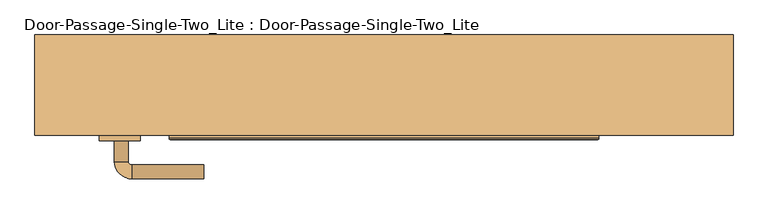
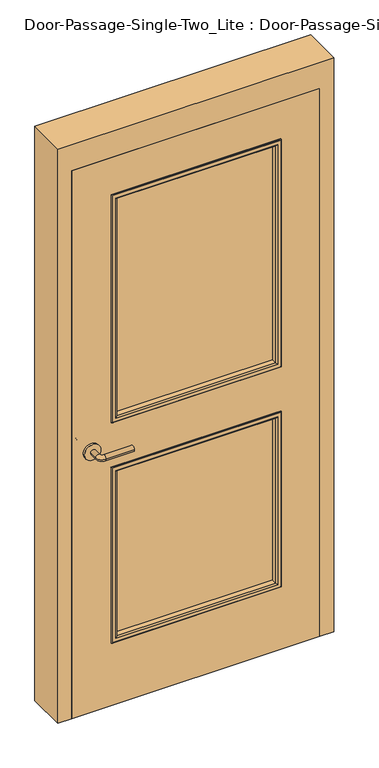
"""IFC4 building model written with IfcOpenShell, lengths in millimetres: door geometry, Door-Passage-Single-Two_Lite : Door-Passage-Single-Two_Lite."""

from ifc_helpers import new_model, si_unit, point, frame, frame_2d, origin, place, context, project, spatial, polyline, circle_curve, ellipse_curve, trimmed, segment, composite_curve, outline, extrude, faceted_brep, source, transform, mapped, element, save
from ifc_brep_helpers import plane_surface, cylinder_surface, revolved_surface, advanced_brep


def door_passage_single_two_lite_door_passage_single_two_lite_3d217ffa(model_context):
    return source(origin(), model_context, "Body", "SolidModel", [
        advanced_brep(
        [(-392.190625, -96.775, 1016.0), (-372.190625, -96.775, 1016.0), (-392.190625, -66.775, 1016.0), (-372.190625, -66.775, 1016.0), (-367.190625, -61.775, 1016.0), (-367.190625, -41.775, 1016.0), (-262.190625, -41.775, 1016.0), (-262.190625, -61.775, 1016.0)],
        [
            (0, 1, circle_curve(frame((-382.190625, -96.775, 1016.0), z_axis=(0.0, -1.0, 0.0), x_axis=(1.0, 0.0, 0.0)), 10.0)),
            (1, 0, circle_curve(frame((-382.190625, -96.775, 1016.0), z_axis=(0.0, -1.0, 0.0), x_axis=(1.0, 0.0, 0.0)), 10.0)),
            (0, 2),
            (2, 3, circle_curve(frame((-382.190625, -66.775, 1016.0), z_axis=(0.0, -1.0, 0.0), x_axis=(1.0, 0.0, 0.0)), 10.0)),
            (3, 1),
            (3, 2, circle_curve(frame((-382.190625, -66.775, 1016.0), z_axis=(0.0, -1.0, 0.0), x_axis=(1.0, 0.0, 0.0)), 10.0)),
            (4, 3, circle_curve(frame((-367.190625, -66.775, 1016.0), z_axis=(0.0, 0.0, 1.0), x_axis=(-1.0, 0.0, 0.0)), 5.0)),
            (2, 5, circle_curve(frame((-367.190625, -66.775, 1016.0), z_axis=(0.0, 0.0, -1.0), x_axis=(-1.0, 0.0, 0.0)), 25.0)),
            (5, 4, circle_curve(frame((-367.190625, -51.775, 1016.0), z_axis=(-1.0, 0.0, 0.0), x_axis=(0.0, -1.0, 0.0)), 10.0)),
            (4, 5, circle_curve(frame((-367.190625, -51.775, 1016.0), z_axis=(-1.0, 0.0, 0.0), x_axis=(0.0, -1.0, 0.0)), 10.0)),
            (6, 7, circle_curve(frame((-262.190625, -51.775, 1016.0), z_axis=(1.0, 0.0, 0.0), x_axis=(0.0, -1.0, 0.0)), 10.0)),
            (7, 6, circle_curve(frame((-262.190625, -51.775, 1016.0), z_axis=(1.0, 0.0, 0.0), x_axis=(0.0, -1.0, 0.0)), 10.0)),
            (5, 6),
            (7, 4),
        ],
        [
            plane_surface(frame((-382.190625, -96.775, 1016.0), z_axis=(0.0, -1.0, 0.0), x_axis=(0.0, 0.0, 1.0))),
            cylinder_surface(frame((-382.190625, -96.775, 1016.0), z_axis=(0.0, -1.0, 0.0), x_axis=(1.0, 0.0, 0.0)), 10.0),
            revolved_surface(trimmed(ellipse_curve(frame((-382.190625, -66.775, 1016.0), z_axis=(0.0, -1.0, 0.0), x_axis=(1.0, 0.0, 0.0)), 10.0, 10.0), [point((-392.190625, -66.775, 1016.0))], [point((-372.190625, -66.775, 1016.0))], True, "CARTESIAN"), (-367.190625, -66.775, 1016.0), (0.0, 0.0, -1.0)),
            revolved_surface(trimmed(ellipse_curve(frame((-382.190625, -66.775, 1016.0), z_axis=(0.0, -1.0, 0.0), x_axis=(1.0, 0.0, 0.0)), 10.0, 10.0), [point((-372.190625, -66.775, 1016.0))], [point((-392.190625, -66.775, 1016.0))], True, "CARTESIAN"), (-367.190625, -66.775, 1016.0), (0.0, 0.0, -1.0)),
            plane_surface(frame((-262.190625, -51.775, 1016.0), z_axis=(1.0, 0.0, 0.0), x_axis=(0.0, 0.0, 1.0))),
            cylinder_surface(frame((-367.190625, -51.775, 1016.0), z_axis=(-1.0, 0.0, 0.0), x_axis=(0.0, -1.0, 0.0)), 10.0),
        ],
        [
            (0, [[1, 2]]),
            (1, [[-1, 3, 4, 5]]),
            (1, [[-2, -5, 6, -3]]),
            (2, [[7, -4, 8, 9]]),
            (3, [[-8, -6, -7, 10]]),
            (4, [[11, 12]]),
            (5, [[-9, 13, -12, 14]]),
            (5, [[-10, -14, -11, -13]]),
        ],
    ),
        extrude(outline(composite_curve([segment(trimmed(circle_curve(frame_2d((1016.0, -384.690625)), 30.0), [point((1016.0, -414.690625))], [point((1016.0, -354.690625))], False, "CARTESIAN"), True, "CONTINUOUS"), segment(trimmed(circle_curve(frame_2d((1016.0, -384.690625)), 30.0), [point((1016.0, -354.690625))], [point((1016.0, -414.690625))], False, "CARTESIAN"), True, "CONTINUOUS")], self_intersect=False)), frame((0.0, -104.775, 0.0), z_axis=(0.0, 1.0, 0.0), x_axis=(0.0, 0.0, 1.0)), (0.0, 0.0, 1.0), 8.0),
        advanced_brep(
        [(-392.190625, -157.225, 1016.0), (-372.190625, -157.225, 1016.0), (-372.190625, -187.225, 1016.0), (-392.190625, -187.225, 1016.0), (-367.190625, -192.225, 1016.0), (-367.190625, -212.225, 1016.0), (-262.190625, -212.225, 1016.0), (-262.190625, -192.225, 1016.0)],
        [
            (0, 1, circle_curve(frame((-382.190625, -157.225, 1016.0), z_axis=(0.0, 1.0, 0.0), x_axis=(1.0, 0.0, 0.0)), 10.0)),
            (1, 0, circle_curve(frame((-382.190625, -157.225, 1016.0), z_axis=(0.0, 1.0, 0.0), x_axis=(1.0, 0.0, 0.0)), 10.0)),
            (1, 2),
            (2, 3, circle_curve(frame((-382.190625, -187.225, 1016.0), z_axis=(0.0, 1.0, 0.0), x_axis=(1.0, 0.0, 0.0)), 10.0)),
            (3, 0),
            (3, 2, circle_curve(frame((-382.190625, -187.225, 1016.0), z_axis=(0.0, 1.0, 0.0), x_axis=(1.0, 0.0, 0.0)), 10.0)),
            (4, 5, circle_curve(frame((-367.190625, -202.225, 1016.0), z_axis=(-1.0, 0.0, 0.0), x_axis=(0.0, 1.0, 0.0)), 10.0)),
            (5, 3, circle_curve(frame((-367.190625, -187.225, 1016.0), z_axis=(0.0, 0.0, -1.0), x_axis=(-1.0, 0.0, 0.0)), 25.0)),
            (2, 4, circle_curve(frame((-367.190625, -187.225, 1016.0), z_axis=(0.0, 0.0, 1.0), x_axis=(-1.0, 0.0, 0.0)), 5.0)),
            (5, 4, circle_curve(frame((-367.190625, -202.225, 1016.0), z_axis=(-1.0, 0.0, 0.0), x_axis=(0.0, 1.0, 0.0)), 10.0)),
            (6, 7, circle_curve(frame((-262.190625, -202.225, 1016.0), z_axis=(1.0, 0.0, 0.0), x_axis=(0.0, 1.0, 0.0)), 10.0)),
            (7, 6, circle_curve(frame((-262.190625, -202.225, 1016.0), z_axis=(1.0, 0.0, 0.0), x_axis=(0.0, 1.0, 0.0)), 10.0)),
            (4, 7),
            (6, 5),
        ],
        [
            plane_surface(frame((-382.190625, -157.225, 1016.0), z_axis=(0.0, 1.0, 0.0), x_axis=(0.0, 0.0, 1.0))),
            cylinder_surface(frame((-382.190625, -157.225, 1016.0), z_axis=(0.0, 1.0, 0.0), x_axis=(1.0, 0.0, 0.0)), 10.0),
            revolved_surface(trimmed(ellipse_curve(frame((-382.190625, -187.225, 1016.0), z_axis=(0.0, -1.0, 0.0), x_axis=(1.0, 0.0, 0.0)), 10.0, 10.0), [point((-392.190625, -187.225, 1016.0))], [point((-372.190625, -187.225, 1016.0))], True, "CARTESIAN"), (-367.190625, -187.225, 1016.0), (0.0, 0.0, -1.0)),
            revolved_surface(trimmed(ellipse_curve(frame((-382.190625, -187.225, 1016.0), z_axis=(0.0, -1.0, 0.0), x_axis=(1.0, 0.0, 0.0)), 10.0, 10.0), [point((-372.190625, -187.225, 1016.0))], [point((-392.190625, -187.225, 1016.0))], True, "CARTESIAN"), (-367.190625, -187.225, 1016.0), (0.0, 0.0, -1.0)),
            plane_surface(frame((-262.190625, -202.225, 1016.0), z_axis=(1.0, 0.0, 0.0), x_axis=(0.0, 0.0, 1.0))),
            cylinder_surface(frame((-367.190625, -202.225, 1016.0), z_axis=(-1.0, 0.0, 0.0), x_axis=(0.0, 1.0, 0.0)), 10.0),
        ],
        [
            (0, [[1, 2]]),
            (1, [[3, 4, 5, -2]]),
            (1, [[-5, 6, -3, -1]]),
            (2, [[7, 8, -4, 9]]),
            (3, [[10, -9, -6, -8]]),
            (4, [[11, 12]]),
            (5, [[13, -11, 14, -7]]),
            (5, [[-14, -12, -13, -10]]),
        ],
    ),
        extrude(outline(composite_curve([segment(trimmed(circle_curve(frame_2d((1016.0, -384.690625)), 30.0), [point((1016.0, -414.690625))], [point((1016.0, -354.690625))], False, "CARTESIAN"), True, "CONTINUOUS"), segment(trimmed(circle_curve(frame_2d((1016.0, -384.690625)), 30.0), [point((1016.0, -354.690625))], [point((1016.0, -414.690625))], False, "CARTESIAN"), True, "CONTINUOUS")], self_intersect=False)), frame((0.0, -157.225, 0.0), z_axis=(0.0, 1.0, 0.0), x_axis=(0.0, 0.0, 1.0)), (0.0, 0.0, 1.0), 8.0),
        faceted_brep([(457.2, -100.0125, 0.0), (441.325, -100.0125, 0.0), (441.325, -52.3875, 0.0), (457.2, -52.3875, 0.0), (457.2, -3.175, 0.0), (508.0, -3.175, 0.0), (508.0, -149.225, 0.0), (457.2, -149.225, 0.0), (457.2, -149.225, 2133.6), (457.2, -100.0125, 2133.6), (508.0, -149.225, 2235.2), (-508.0, -149.225, 2235.2), (-508.0, -149.225, 0.0), (-457.2, -149.225, 0.0), (-457.2, -149.225, 2133.6), (508.0, -3.175, 2235.2), (457.2, -3.175, 2133.6), (-457.2, -3.175, 2133.6), (-457.2, -3.175, 0.0), (-508.0, -3.175, 0.0), (-508.0, -3.175, 2235.2), (457.2, -52.3875, 2133.6), (441.325, -52.3875, 2117.725), (-441.325, -52.3875, 2117.725), (-441.325, -52.3875, 0.0), (-457.2, -52.3875, 0.0), (-457.2, -52.3875, 2133.6), (441.325, -100.0125, 2117.725), (-457.2, -100.0125, 2133.6), (-457.2, -100.0125, 0.0), (-441.325, -100.0125, 0.0), (-441.325, -100.0125, 2117.725)], [[[0, 1, 2, 3, 4, 5, 6, 7]], [[7, 8, 9, 0]], [[6, 10, 11, 12, 13, 14, 8, 7]], [[5, 15, 10, 6]], [[4, 16, 17, 18, 19, 20, 15, 5]], [[3, 21, 16, 4]], [[2, 22, 23, 24, 25, 26, 21, 3]], [[1, 27, 22, 2]], [[0, 9, 28, 29, 30, 31, 27, 1]], [[8, 14, 28, 9]], [[16, 21, 26, 17]], [[22, 27, 31, 23]], [[12, 19, 18, 25, 24, 30, 29, 13]], [[13, 29, 28, 14]], [[11, 20, 19, 12]], [[17, 26, 25, 18]], [[23, 31, 30, 24]], [[15, 20, 11, 10]]]),
        extrude(outline(polyline([(2133.6, -457.2), (0.0, -457.2), (0.0, 457.2), (2133.6, 457.2), (2133.6, -457.2)]), holes=[polyline([(1981.2, -304.8), (1981.2, 304.8), (1111.25, 304.8), (1111.25, -304.8), (1981.2, -304.8)]), polyline([(920.75, -304.8), (920.75, 304.8), (254.0, 304.8), (254.0, -304.8), (920.75, -304.8)])]), frame((0.0, -149.225, 0.0), z_axis=(0.0, 1.0, 0.0), x_axis=(0.0, 0.0, 1.0)), (0.0, 0.0, 1.0), 44.45),
        extrude(outline(polyline([(304.8, -123.825), (304.8, -130.175), (-304.8, -130.175), (-304.8, -123.825), (304.8, -123.825)])), frame((0.0, 0.0, 1111.25), z_axis=(0.0, 0.0, 1.0), x_axis=(1.0, 0.0, 0.0)), (0.0, 0.0, 1.0), 869.95),
        extrude(outline(polyline([(304.8, -123.825), (304.8, -130.175), (-304.8, -130.175), (-304.8, -123.825), (304.8, -123.825)])), frame((0.0, 0.0, 254.0), z_axis=(0.0, 0.0, 1.0), x_axis=(1.0, 0.0, 0.0)), (0.0, 0.0, 1.0), 666.75),
        advanced_brep(
        [(304.8, -123.825, 920.75), (304.8, -123.825, 254.0), (304.8, -104.775, 254.0), (304.8, -104.775, 920.75), (292.8, -103.775, 908.75), (292.8, -103.775, 266.0), (292.8, -123.825, 266.0), (292.8, -123.825, 908.75), (297.8, -98.775, 913.75), (297.8, -98.775, 261.0), (312.8, -100.775, 928.75), (312.8, -100.775, 246.0), (310.8, -98.775, 248.0), (310.8, -98.775, 926.75), (312.8, -104.775, 928.75), (312.8, -104.775, 246.0), (-304.8, -123.825, 254.0), (-304.8, -104.775, 254.0), (-292.8, -103.775, 266.0), (-292.8, -123.825, 266.0), (-297.8, -98.775, 261.0), (-312.8, -100.775, 246.0), (-310.8, -98.775, 248.0), (-312.8, -104.775, 246.0), (-304.8, -123.825, 920.75), (-304.8, -104.775, 920.75), (-292.8, -103.775, 908.75), (-292.8, -123.825, 908.75), (-297.8, -98.775, 913.75), (-312.8, -100.775, 928.75), (-310.8, -98.775, 926.75), (-312.8, -104.775, 928.75)],
        [
            (0, 1),
            (1, 2),
            (2, 3),
            (3, 0),
            (4, 5),
            (5, 6),
            (6, 7),
            (7, 4),
            (8, 9),
            (9, 5, ellipse_curve(frame((297.8, -103.775, 261.0), z_axis=(0.7071067811865475, 0.0, 0.7071067811865475), x_axis=(-0.7071067811865474, 0.0, 0.7071067811865476)), 7.0710678, 5.0)),
            (4, 8, ellipse_curve(frame((297.8, -103.775, 913.75), z_axis=(0.7071067811865475, 0.0, -0.7071067811865475), x_axis=(0.7071067811865474, 0.0, 0.7071067811865476)), 7.0710678, 5.0)),
            (10, 11),
            (11, 12, ellipse_curve(frame((310.8, -100.775, 248.0), z_axis=(0.7071067811865475, 0.0, 0.7071067811865475), x_axis=(-0.7071067811865474, 0.0, 0.7071067811865476)), 2.8284271, 2.0)),
            (12, 13),
            (13, 10, ellipse_curve(frame((310.8, -100.775, 926.75), z_axis=(0.7071067811865475, 0.0, -0.7071067811865475), x_axis=(0.7071067811865474, 0.0, 0.7071067811865476)), 2.8284271, 2.0)),
            (14, 15),
            (15, 11),
            (10, 14),
            (1, 16),
            (16, 17),
            (17, 2),
            (5, 18),
            (18, 19),
            (19, 6),
            (9, 20),
            (20, 18, ellipse_curve(frame((-297.8, -103.775, 261.0), z_axis=(0.7071067811865475, 0.0, -0.7071067811865475), x_axis=(0.7071067811865476, 0.0, 0.7071067811865474)), 7.0710678, 5.0)),
            (11, 21),
            (21, 22, ellipse_curve(frame((-310.8, -100.775, 248.0), z_axis=(0.7071067811865475, 0.0, -0.7071067811865475), x_axis=(0.7071067811865476, 0.0, 0.7071067811865474)), 2.8284271, 2.0)),
            (22, 12),
            (15, 23),
            (23, 21),
            (16, 24),
            (24, 25),
            (25, 17),
            (18, 26),
            (26, 27),
            (27, 19),
            (20, 28),
            (28, 26, ellipse_curve(frame((-297.8, -103.775, 913.75), z_axis=(-0.7071067811865475, 0.0, -0.7071067811865475), x_axis=(0.7071067811865474, 0.0, -0.7071067811865476)), 7.0710678, 5.0)),
            (21, 29),
            (29, 30, ellipse_curve(frame((-310.8, -100.775, 926.75), z_axis=(-0.7071067811865475, 0.0, -0.7071067811865475), x_axis=(0.7071067811865474, 0.0, -0.7071067811865476)), 2.8284271, 2.0)),
            (30, 22),
            (23, 31),
            (31, 29),
            (14, 31),
            (25, 3),
            (24, 0),
            (27, 7),
            (26, 4),
            (28, 8),
            (30, 13),
            (29, 10),
        ],
        [
            plane_surface(frame((304.8, -104.775, 920.75), z_axis=(1.0, 0.0, 0.0), x_axis=(0.0, 0.0, -1.0))),
            plane_surface(frame((292.8, -123.825, 908.75), z_axis=(-1.0, 0.0, 0.0), x_axis=(0.0, 0.0, -1.0))),
            cylinder_surface(frame((297.8, -103.775, 920.75), z_axis=(0.0, 0.0, 1.0), x_axis=(1.0, 0.0, 0.0)), 5.0),
            cylinder_surface(frame((310.8, -100.775, 920.75), z_axis=(0.0, 0.0, 1.0), x_axis=(1.0, 0.0, 0.0)), 2.0),
            plane_surface(frame((312.8, -100.775, 928.75), z_axis=(1.0, 0.0, 0.0), x_axis=(0.0, 0.0, -1.0))),
            plane_surface(frame((304.8, -104.775, 254.0), z_axis=(0.0, 0.0, -1.0), x_axis=(-1.0, 0.0, 0.0))),
            plane_surface(frame((292.8, -123.825, 266.0), z_axis=(0.0, 0.0, 1.0), x_axis=(-1.0, 0.0, 0.0))),
            cylinder_surface(frame((304.8, -103.775, 261.0), z_axis=(1.0, 0.0, 0.0), x_axis=(0.0, 0.0, -1.0)), 5.0),
            cylinder_surface(frame((304.8, -100.775, 248.0), z_axis=(1.0, 0.0, 0.0), x_axis=(0.0, 0.0, -1.0)), 2.0),
            plane_surface(frame((312.8, -100.775, 246.0), z_axis=(0.0, 0.0, -1.0), x_axis=(-1.0, 0.0, 0.0))),
            plane_surface(frame((-304.8, -104.775, 254.0), z_axis=(-1.0, 0.0, 0.0), x_axis=(0.0, 0.0, 1.0))),
            plane_surface(frame((-292.8, -123.825, 266.0), z_axis=(1.0, 0.0, 0.0), x_axis=(0.0, 0.0, 1.0))),
            cylinder_surface(frame((-297.8, -103.775, 254.0), z_axis=(0.0, 0.0, -1.0), x_axis=(-1.0, 0.0, 0.0)), 5.0),
            cylinder_surface(frame((-310.8, -100.775, 254.0), z_axis=(0.0, 0.0, -1.0), x_axis=(-1.0, 0.0, 0.0)), 2.0),
            plane_surface(frame((-312.8, -100.775, 246.0), z_axis=(-1.0, 0.0, 0.0), x_axis=(0.0, 0.0, 1.0))),
            plane_surface(frame((-312.8, -104.775, 928.75), z_axis=(0.0, -1.0, 0.0), x_axis=(1.0, 0.0, 0.0))),
            plane_surface(frame((-304.8, -104.775, 920.75), z_axis=(0.0, 0.0, 1.0), x_axis=(1.0, 0.0, 0.0))),
            plane_surface(frame((-304.8, -123.825, 920.75), z_axis=(0.0, -1.0, 0.0), x_axis=(1.0, 0.0, 0.0))),
            plane_surface(frame((-292.8, -123.825, 908.75), z_axis=(0.0, 0.0, -1.0), x_axis=(1.0, 0.0, 0.0))),
            cylinder_surface(frame((-304.8, -103.775, 913.75), z_axis=(-1.0, 0.0, 0.0), x_axis=(0.0, 0.0, 1.0)), 5.0),
            plane_surface(frame((-297.8, -98.775, 913.75), z_axis=(0.0, 1.0, 0.0), x_axis=(1.0, 0.0, 0.0))),
            cylinder_surface(frame((-304.8, -100.775, 926.75), z_axis=(-1.0, 0.0, 0.0), x_axis=(0.0, 0.0, 1.0)), 2.0),
            plane_surface(frame((-312.8, -100.775, 928.75), z_axis=(0.0, 0.0, 1.0), x_axis=(1.0, 0.0, 0.0))),
        ],
        [
            (0, [[1, 2, 3, 4]]),
            (1, [[5, 6, 7, 8]]),
            (2, [[9, 10, -5, 11]]),
            (3, [[12, 13, 14, 15]]),
            (4, [[16, 17, -12, 18]]),
            (5, [[19, 20, 21, -2]]),
            (6, [[22, 23, 24, -6]]),
            (7, [[25, 26, -22, -10]]),
            (8, [[27, 28, 29, -13]]),
            (9, [[30, 31, -27, -17]]),
            (10, [[32, 33, 34, -20]]),
            (11, [[35, 36, 37, -23]]),
            (12, [[38, 39, -35, -26]]),
            (13, [[40, 41, 42, -28]]),
            (14, [[43, 44, -40, -31]]),
            (15, [[-16, 45, -43, -30], [-3, -21, -34, 46]]),
            (16, [[47, -4, -46, -33]]),
            (17, [[-1, -47, -32, -19], [-7, -24, -37, 48]]),
            (18, [[49, -8, -48, -36]]),
            (19, [[50, -11, -49, -39]]),
            (20, [[-14, -29, -42, 51], [-9, -50, -38, -25]]),
            (21, [[52, -15, -51, -41]]),
            (22, [[-45, -18, -52, -44]]),
        ],
    ),
        advanced_brep(
        [(-304.8, -130.175, 920.75), (-304.8, -130.175, 254.0), (-304.8, -149.225, 254.0), (-304.8, -149.225, 920.75), (-292.8, -150.225, 908.75), (-292.8, -150.225, 266.0), (-292.8, -130.175, 266.0), (-292.8, -130.175, 908.75), (-297.8, -155.225, 913.75), (-297.8, -155.225, 261.0), (-312.8, -153.225, 928.75), (-312.8, -153.225, 246.0), (-310.8, -155.225, 248.0), (-310.8, -155.225, 926.75), (-312.8, -149.225, 928.75), (-312.8, -149.225, 246.0), (304.8, -130.175, 254.0), (304.8, -149.225, 254.0), (292.8, -150.225, 266.0), (292.8, -130.175, 266.0), (297.8, -155.225, 261.0), (312.8, -153.225, 246.0), (310.8, -155.225, 248.0), (312.8, -149.225, 246.0), (304.8, -130.175, 920.75), (304.8, -149.225, 920.75), (292.8, -150.225, 908.75), (292.8, -130.175, 908.75), (297.8, -155.225, 913.75), (312.8, -153.225, 928.75), (310.8, -155.225, 926.75), (312.8, -149.225, 928.75)],
        [
            (0, 1),
            (1, 2),
            (2, 3),
            (3, 0),
            (4, 5),
            (5, 6),
            (6, 7),
            (7, 4),
            (8, 9),
            (9, 5, ellipse_curve(frame((-297.8, -150.225, 261.0), z_axis=(-0.7071067811865475, 0.0, 0.7071067811865475), x_axis=(0.7071067811865474, 0.0, 0.7071067811865476)), 7.0710678, 5.0)),
            (4, 8, ellipse_curve(frame((-297.8, -150.225, 913.75), z_axis=(-0.7071067811865475, 0.0, -0.7071067811865475), x_axis=(-0.7071067811865474, 0.0, 0.7071067811865476)), 7.0710678, 5.0)),
            (10, 11),
            (11, 12, ellipse_curve(frame((-310.8, -153.225, 248.0), z_axis=(-0.7071067811865475, 0.0, 0.7071067811865475), x_axis=(0.7071067811865474, 0.0, 0.7071067811865476)), 2.8284271, 2.0)),
            (12, 13),
            (13, 10, ellipse_curve(frame((-310.8, -153.225, 926.75), z_axis=(-0.7071067811865475, 0.0, -0.7071067811865475), x_axis=(-0.7071067811865474, 0.0, 0.7071067811865476)), 2.8284271, 2.0)),
            (14, 15),
            (15, 11),
            (10, 14),
            (1, 16),
            (16, 17),
            (17, 2),
            (5, 18),
            (18, 19),
            (19, 6),
            (9, 20),
            (20, 18, ellipse_curve(frame((297.8, -150.225, 261.0), z_axis=(-0.7071067811865475, 0.0, -0.7071067811865475), x_axis=(-0.7071067811865476, 0.0, 0.7071067811865474)), 7.0710678, 5.0)),
            (11, 21),
            (21, 22, ellipse_curve(frame((310.8, -153.225, 248.0), z_axis=(-0.7071067811865475, 0.0, -0.7071067811865475), x_axis=(-0.7071067811865476, 0.0, 0.7071067811865474)), 2.8284271, 2.0)),
            (22, 12),
            (15, 23),
            (23, 21),
            (16, 24),
            (24, 25),
            (25, 17),
            (18, 26),
            (26, 27),
            (27, 19),
            (20, 28),
            (28, 26, ellipse_curve(frame((297.8, -150.225, 913.75), z_axis=(0.7071067811865475, 0.0, -0.7071067811865475), x_axis=(-0.7071067811865474, 0.0, -0.7071067811865476)), 7.0710678, 5.0)),
            (21, 29),
            (29, 30, ellipse_curve(frame((310.8, -153.225, 926.75), z_axis=(0.7071067811865475, 0.0, -0.7071067811865475), x_axis=(-0.7071067811865474, 0.0, -0.7071067811865476)), 2.8284271, 2.0)),
            (30, 22),
            (23, 31),
            (31, 29),
            (14, 31),
            (25, 3),
            (24, 0),
            (27, 7),
            (26, 4),
            (28, 8),
            (30, 13),
            (29, 10),
        ],
        [
            plane_surface(frame((-304.8, -149.225, 920.75), z_axis=(-1.0, 0.0, 0.0), x_axis=(0.0, 0.0, -1.0))),
            plane_surface(frame((-292.8, -130.175, 908.75), z_axis=(1.0, 0.0, 0.0), x_axis=(0.0, 0.0, -1.0))),
            cylinder_surface(frame((-297.8, -150.225, 920.75), z_axis=(0.0, 0.0, 1.0), x_axis=(-1.0, 0.0, 0.0)), 5.0),
            cylinder_surface(frame((-310.8, -153.225, 920.75), z_axis=(0.0, 0.0, 1.0), x_axis=(-1.0, 0.0, 0.0)), 2.0),
            plane_surface(frame((-312.8, -153.225, 928.75), z_axis=(-1.0, 0.0, 0.0), x_axis=(0.0, 0.0, -1.0))),
            plane_surface(frame((-304.8, -149.225, 254.0), z_axis=(0.0, 0.0, -1.0), x_axis=(1.0, 0.0, 0.0))),
            plane_surface(frame((-292.8, -130.175, 266.0), z_axis=(0.0, 0.0, 1.0), x_axis=(1.0, 0.0, 0.0))),
            cylinder_surface(frame((-304.8, -150.225, 261.0), z_axis=(-1.0, 0.0, 0.0), x_axis=(0.0, 0.0, -1.0)), 5.0),
            cylinder_surface(frame((-304.8, -153.225, 248.0), z_axis=(-1.0, 0.0, 0.0), x_axis=(0.0, 0.0, -1.0)), 2.0),
            plane_surface(frame((-312.8, -153.225, 246.0), z_axis=(0.0, 0.0, -1.0), x_axis=(1.0, 0.0, 0.0))),
            plane_surface(frame((304.8, -149.225, 254.0), z_axis=(1.0, 0.0, 0.0), x_axis=(0.0, 0.0, 1.0))),
            plane_surface(frame((292.8, -130.175, 266.0), z_axis=(-1.0, 0.0, 0.0), x_axis=(0.0, 0.0, 1.0))),
            cylinder_surface(frame((297.8, -150.225, 254.0), z_axis=(0.0, 0.0, -1.0), x_axis=(1.0, 0.0, 0.0)), 5.0),
            cylinder_surface(frame((310.8, -153.225, 254.0), z_axis=(0.0, 0.0, -1.0), x_axis=(1.0, 0.0, 0.0)), 2.0),
            plane_surface(frame((312.8, -153.225, 246.0), z_axis=(1.0, 0.0, 0.0), x_axis=(0.0, 0.0, 1.0))),
            plane_surface(frame((312.8, -149.225, 928.75), z_axis=(0.0, 1.0, 0.0), x_axis=(-1.0, 0.0, 0.0))),
            plane_surface(frame((304.8, -149.225, 920.75), z_axis=(0.0, 0.0, 1.0), x_axis=(-1.0, 0.0, 0.0))),
            plane_surface(frame((304.8, -130.175, 920.75), z_axis=(0.0, 1.0, 0.0), x_axis=(-1.0, 0.0, 0.0))),
            plane_surface(frame((292.8, -130.175, 908.75), z_axis=(0.0, 0.0, -1.0), x_axis=(-1.0, 0.0, 0.0))),
            cylinder_surface(frame((304.8, -150.225, 913.75), z_axis=(1.0, 0.0, 0.0), x_axis=(0.0, 0.0, 1.0)), 5.0),
            plane_surface(frame((297.8, -155.225, 913.75), z_axis=(0.0, -1.0, 0.0), x_axis=(-1.0, 0.0, 0.0))),
            cylinder_surface(frame((304.8, -153.225, 926.75), z_axis=(1.0, 0.0, 0.0), x_axis=(0.0, 0.0, 1.0)), 2.0),
            plane_surface(frame((312.8, -153.225, 928.75), z_axis=(0.0, 0.0, 1.0), x_axis=(-1.0, 0.0, 0.0))),
        ],
        [
            (0, [[1, 2, 3, 4]]),
            (1, [[5, 6, 7, 8]]),
            (2, [[9, 10, -5, 11]]),
            (3, [[12, 13, 14, 15]]),
            (4, [[16, 17, -12, 18]]),
            (5, [[19, 20, 21, -2]]),
            (6, [[22, 23, 24, -6]]),
            (7, [[25, 26, -22, -10]]),
            (8, [[27, 28, 29, -13]]),
            (9, [[30, 31, -27, -17]]),
            (10, [[32, 33, 34, -20]]),
            (11, [[35, 36, 37, -23]]),
            (12, [[38, 39, -35, -26]]),
            (13, [[40, 41, 42, -28]]),
            (14, [[43, 44, -40, -31]]),
            (15, [[-16, 45, -43, -30], [-3, -21, -34, 46]]),
            (16, [[47, -4, -46, -33]]),
            (17, [[-1, -47, -32, -19], [-7, -24, -37, 48]]),
            (18, [[49, -8, -48, -36]]),
            (19, [[50, -11, -49, -39]]),
            (20, [[-14, -29, -42, 51], [-9, -50, -38, -25]]),
            (21, [[52, -15, -51, -41]]),
            (22, [[-45, -18, -52, -44]]),
        ],
    ),
        advanced_brep(
        [(-304.8, -123.825, 1111.25), (-304.8, -123.825, 1981.2), (-304.8, -104.775, 1981.2), (-304.8, -104.775, 1111.25), (-292.8, -103.775, 1123.25), (-292.8, -103.775, 1969.2), (-292.8, -123.825, 1969.2), (-292.8, -123.825, 1123.25), (-297.8, -98.775, 1118.25), (-297.8, -98.775, 1974.2), (-312.8, -100.775, 1103.25), (-312.8, -100.775, 1989.2), (-310.8, -98.775, 1987.2), (-310.8, -98.775, 1105.25), (-312.8, -104.775, 1103.25), (-312.8, -104.775, 1989.2), (304.8, -123.825, 1981.2), (304.8, -104.775, 1981.2), (292.8, -103.775, 1969.2), (292.8, -123.825, 1969.2), (297.8, -98.775, 1974.2), (312.8, -100.775, 1989.2), (310.8, -98.775, 1987.2), (312.8, -104.775, 1989.2), (304.8, -123.825, 1111.25), (304.8, -104.775, 1111.25), (292.8, -103.775, 1123.25), (292.8, -123.825, 1123.25), (297.8, -98.775, 1118.25), (312.8, -100.775, 1103.25), (310.8, -98.775, 1105.25), (312.8, -104.775, 1103.25)],
        [
            (0, 1),
            (1, 2),
            (2, 3),
            (3, 0),
            (4, 5),
            (5, 6),
            (6, 7),
            (7, 4),
            (8, 9),
            (9, 5, ellipse_curve(frame((-297.8, -103.775, 1974.2), z_axis=(-0.7071067811865475, 0.0, -0.7071067811865475), x_axis=(0.7071067811865474, 0.0, -0.7071067811865476)), 7.0710678, 5.0)),
            (4, 8, ellipse_curve(frame((-297.8, -103.775, 1118.25), z_axis=(-0.7071067811865475, 0.0, 0.7071067811865475), x_axis=(-0.7071067811865474, 0.0, -0.7071067811865476)), 7.0710678, 5.0)),
            (10, 11),
            (11, 12, ellipse_curve(frame((-310.8, -100.775, 1987.2), z_axis=(-0.7071067811865475, 0.0, -0.7071067811865475), x_axis=(0.7071067811865474, 0.0, -0.7071067811865476)), 2.8284271, 2.0)),
            (12, 13),
            (13, 10, ellipse_curve(frame((-310.8, -100.775, 1105.25), z_axis=(-0.7071067811865475, 0.0, 0.7071067811865475), x_axis=(-0.7071067811865474, 0.0, -0.7071067811865476)), 2.8284271, 2.0)),
            (14, 15),
            (15, 11),
            (10, 14),
            (1, 16),
            (16, 17),
            (17, 2),
            (5, 18),
            (18, 19),
            (19, 6),
            (9, 20),
            (20, 18, ellipse_curve(frame((297.8, -103.775, 1974.2), z_axis=(-0.7071067811865475, 0.0, 0.7071067811865475), x_axis=(-0.7071067811865476, 0.0, -0.7071067811865474)), 7.0710678, 5.0)),
            (11, 21),
            (21, 22, ellipse_curve(frame((310.8, -100.775, 1987.2), z_axis=(-0.7071067811865475, 0.0, 0.7071067811865475), x_axis=(-0.7071067811865476, 0.0, -0.7071067811865474)), 2.8284271, 2.0)),
            (22, 12),
            (15, 23),
            (23, 21),
            (16, 24),
            (24, 25),
            (25, 17),
            (18, 26),
            (26, 27),
            (27, 19),
            (20, 28),
            (28, 26, ellipse_curve(frame((297.8, -103.775, 1118.25), z_axis=(0.7071067811865475, 0.0, 0.7071067811865475), x_axis=(-0.7071067811865474, 0.0, 0.7071067811865476)), 7.0710678, 5.0)),
            (21, 29),
            (29, 30, ellipse_curve(frame((310.8, -100.775, 1105.25), z_axis=(0.7071067811865475, 0.0, 0.7071067811865475), x_axis=(-0.7071067811865474, 0.0, 0.7071067811865476)), 2.8284271, 2.0)),
            (30, 22),
            (23, 31),
            (31, 29),
            (14, 31),
            (25, 3),
            (24, 0),
            (27, 7),
            (26, 4),
            (28, 8),
            (30, 13),
            (29, 10),
        ],
        [
            plane_surface(frame((-304.8, -104.775, 1111.25), z_axis=(-1.0, 0.0, 0.0), x_axis=(0.0, 0.0, 1.0))),
            plane_surface(frame((-292.8, -123.825, 1123.25), z_axis=(1.0, 0.0, 0.0), x_axis=(0.0, 0.0, 1.0))),
            cylinder_surface(frame((-297.8, -103.775, 1111.25), z_axis=(0.0, 0.0, -1.0), x_axis=(-1.0, 0.0, 0.0)), 5.0),
            cylinder_surface(frame((-310.8, -100.775, 1111.25), z_axis=(0.0, 0.0, -1.0), x_axis=(-1.0, 0.0, 0.0)), 2.0),
            plane_surface(frame((-312.8, -100.775, 1103.25), z_axis=(-1.0, 0.0, 0.0), x_axis=(0.0, 0.0, 1.0))),
            plane_surface(frame((-304.8, -104.775, 1981.2), z_axis=(0.0, 0.0, 1.0), x_axis=(1.0, 0.0, 0.0))),
            plane_surface(frame((-292.8, -123.825, 1969.2), z_axis=(0.0, 0.0, -1.0), x_axis=(1.0, 0.0, 0.0))),
            cylinder_surface(frame((-304.8, -103.775, 1974.2), z_axis=(-1.0, 0.0, 0.0), x_axis=(0.0, 0.0, 1.0)), 5.0),
            cylinder_surface(frame((-304.8, -100.775, 1987.2), z_axis=(-1.0, 0.0, 0.0), x_axis=(0.0, 0.0, 1.0)), 2.0),
            plane_surface(frame((-312.8, -100.775, 1989.2), z_axis=(0.0, 0.0, 1.0), x_axis=(1.0, 0.0, 0.0))),
            plane_surface(frame((304.8, -104.775, 1981.2), z_axis=(1.0, 0.0, 0.0), x_axis=(0.0, 0.0, -1.0))),
            plane_surface(frame((292.8, -123.825, 1969.2), z_axis=(-1.0, 0.0, 0.0), x_axis=(0.0, 0.0, -1.0))),
            cylinder_surface(frame((297.8, -103.775, 1981.2), z_axis=(0.0, 0.0, 1.0), x_axis=(1.0, 0.0, 0.0)), 5.0),
            cylinder_surface(frame((310.8, -100.775, 1981.2), z_axis=(0.0, 0.0, 1.0), x_axis=(1.0, 0.0, 0.0)), 2.0),
            plane_surface(frame((312.8, -100.775, 1989.2), z_axis=(1.0, 0.0, 0.0), x_axis=(0.0, 0.0, -1.0))),
            plane_surface(frame((312.8, -104.775, 1103.25), z_axis=(0.0, -1.0, 0.0), x_axis=(-1.0, 0.0, 0.0))),
            plane_surface(frame((304.8, -104.775, 1111.25), z_axis=(0.0, 0.0, -1.0), x_axis=(-1.0, 0.0, 0.0))),
            plane_surface(frame((304.8, -123.825, 1111.25), z_axis=(0.0, -1.0, 0.0), x_axis=(-1.0, 0.0, 0.0))),
            plane_surface(frame((292.8, -123.825, 1123.25), z_axis=(0.0, 0.0, 1.0), x_axis=(-1.0, 0.0, 0.0))),
            cylinder_surface(frame((304.8, -103.775, 1118.25), z_axis=(1.0, 0.0, 0.0), x_axis=(0.0, 0.0, -1.0)), 5.0),
            plane_surface(frame((297.8, -98.775, 1118.25), z_axis=(0.0, 1.0, 0.0), x_axis=(-1.0, 0.0, 0.0))),
            cylinder_surface(frame((304.8, -100.775, 1105.25), z_axis=(1.0, 0.0, 0.0), x_axis=(0.0, 0.0, -1.0)), 2.0),
            plane_surface(frame((312.8, -100.775, 1103.25), z_axis=(0.0, 0.0, -1.0), x_axis=(-1.0, 0.0, 0.0))),
        ],
        [
            (0, [[1, 2, 3, 4]]),
            (1, [[5, 6, 7, 8]]),
            (2, [[9, 10, -5, 11]]),
            (3, [[12, 13, 14, 15]]),
            (4, [[16, 17, -12, 18]]),
            (5, [[19, 20, 21, -2]]),
            (6, [[22, 23, 24, -6]]),
            (7, [[25, 26, -22, -10]]),
            (8, [[27, 28, 29, -13]]),
            (9, [[30, 31, -27, -17]]),
            (10, [[32, 33, 34, -20]]),
            (11, [[35, 36, 37, -23]]),
            (12, [[38, 39, -35, -26]]),
            (13, [[40, 41, 42, -28]]),
            (14, [[43, 44, -40, -31]]),
            (15, [[-16, 45, -43, -30], [-3, -21, -34, 46]]),
            (16, [[47, -4, -46, -33]]),
            (17, [[-1, -47, -32, -19], [-7, -24, -37, 48]]),
            (18, [[49, -8, -48, -36]]),
            (19, [[50, -11, -49, -39]]),
            (20, [[-14, -29, -42, 51], [-9, -50, -38, -25]]),
            (21, [[52, -15, -51, -41]]),
            (22, [[-45, -18, -52, -44]]),
        ],
    ),
        advanced_brep(
        [(-304.8, -130.175, 1981.2), (-304.8, -130.175, 1111.25), (-304.8, -149.225, 1111.25), (-304.8, -149.225, 1981.2), (-292.8, -150.225, 1969.2), (-292.8, -150.225, 1123.25), (-292.8, -130.175, 1123.25), (-292.8, -130.175, 1969.2), (-297.8, -155.225, 1974.2), (-297.8, -155.225, 1118.25), (-312.8, -153.225, 1989.2), (-312.8, -153.225, 1103.25), (-310.8, -155.225, 1105.25), (-310.8, -155.225, 1987.2), (-312.8, -149.225, 1989.2), (-312.8, -149.225, 1103.25), (304.8, -130.175, 1111.25), (304.8, -149.225, 1111.25), (292.8, -150.225, 1123.25), (292.8, -130.175, 1123.25), (297.8, -155.225, 1118.25), (312.8, -153.225, 1103.25), (310.8, -155.225, 1105.25), (312.8, -149.225, 1103.25), (304.8, -130.175, 1981.2), (304.8, -149.225, 1981.2), (292.8, -150.225, 1969.2), (292.8, -130.175, 1969.2), (297.8, -155.225, 1974.2), (312.8, -153.225, 1989.2), (310.8, -155.225, 1987.2), (312.8, -149.225, 1989.2)],
        [
            (0, 1),
            (1, 2),
            (2, 3),
            (3, 0),
            (4, 5),
            (5, 6),
            (6, 7),
            (7, 4),
            (8, 9),
            (9, 5, ellipse_curve(frame((-297.8, -150.225, 1118.25), z_axis=(-0.7071067811865475, 0.0, 0.7071067811865475), x_axis=(0.7071067811865474, 0.0, 0.7071067811865476)), 7.0710678, 5.0)),
            (4, 8, ellipse_curve(frame((-297.8, -150.225, 1974.2), z_axis=(-0.7071067811865475, 0.0, -0.7071067811865475), x_axis=(-0.7071067811865474, 0.0, 0.7071067811865476)), 7.0710678, 5.0)),
            (10, 11),
            (11, 12, ellipse_curve(frame((-310.8, -153.225, 1105.25), z_axis=(-0.7071067811865475, 0.0, 0.7071067811865475), x_axis=(0.7071067811865474, 0.0, 0.7071067811865476)), 2.8284271, 2.0)),
            (12, 13),
            (13, 10, ellipse_curve(frame((-310.8, -153.225, 1987.2), z_axis=(-0.7071067811865475, 0.0, -0.7071067811865475), x_axis=(-0.7071067811865474, 0.0, 0.7071067811865476)), 2.8284271, 2.0)),
            (14, 15),
            (15, 11),
            (10, 14),
            (1, 16),
            (16, 17),
            (17, 2),
            (5, 18),
            (18, 19),
            (19, 6),
            (9, 20),
            (20, 18, ellipse_curve(frame((297.8, -150.225, 1118.25), z_axis=(-0.7071067811865475, 0.0, -0.7071067811865475), x_axis=(-0.7071067811865476, 0.0, 0.7071067811865474)), 7.0710678, 5.0)),
            (11, 21),
            (21, 22, ellipse_curve(frame((310.8, -153.225, 1105.25), z_axis=(-0.7071067811865475, 0.0, -0.7071067811865475), x_axis=(-0.7071067811865476, 0.0, 0.7071067811865474)), 2.8284271, 2.0)),
            (22, 12),
            (15, 23),
            (23, 21),
            (16, 24),
            (24, 25),
            (25, 17),
            (18, 26),
            (26, 27),
            (27, 19),
            (20, 28),
            (28, 26, ellipse_curve(frame((297.8, -150.225, 1974.2), z_axis=(0.7071067811865475, 0.0, -0.7071067811865475), x_axis=(-0.7071067811865474, 0.0, -0.7071067811865476)), 7.0710678, 5.0)),
            (21, 29),
            (29, 30, ellipse_curve(frame((310.8, -153.225, 1987.2), z_axis=(0.7071067811865475, 0.0, -0.7071067811865475), x_axis=(-0.7071067811865474, 0.0, -0.7071067811865476)), 2.8284271, 2.0)),
            (30, 22),
            (23, 31),
            (31, 29),
            (14, 31),
            (25, 3),
            (24, 0),
            (27, 7),
            (26, 4),
            (28, 8),
            (30, 13),
            (29, 10),
        ],
        [
            plane_surface(frame((-304.8, -149.225, 1981.2), z_axis=(-1.0, 0.0, 0.0), x_axis=(0.0, 0.0, -1.0))),
            plane_surface(frame((-292.8, -130.175, 1969.2), z_axis=(1.0, 0.0, 0.0), x_axis=(0.0, 0.0, -1.0))),
            cylinder_surface(frame((-297.8, -150.225, 1981.2), z_axis=(0.0, 0.0, 1.0), x_axis=(-1.0, 0.0, 0.0)), 5.0),
            cylinder_surface(frame((-310.8, -153.225, 1981.2), z_axis=(0.0, 0.0, 1.0), x_axis=(-1.0, 0.0, 0.0)), 2.0),
            plane_surface(frame((-312.8, -153.225, 1989.2), z_axis=(-1.0, 0.0, 0.0), x_axis=(0.0, 0.0, -1.0))),
            plane_surface(frame((-304.8, -149.225, 1111.25), z_axis=(0.0, 0.0, -1.0), x_axis=(1.0, 0.0, 0.0))),
            plane_surface(frame((-292.8, -130.175, 1123.25), z_axis=(0.0, 0.0, 1.0), x_axis=(1.0, 0.0, 0.0))),
            cylinder_surface(frame((-304.8, -150.225, 1118.25), z_axis=(-1.0, 0.0, 0.0), x_axis=(0.0, 0.0, -1.0)), 5.0),
            cylinder_surface(frame((-304.8, -153.225, 1105.25), z_axis=(-1.0, 0.0, 0.0), x_axis=(0.0, 0.0, -1.0)), 2.0),
            plane_surface(frame((-312.8, -153.225, 1103.25), z_axis=(0.0, 0.0, -1.0), x_axis=(1.0, 0.0, 0.0))),
            plane_surface(frame((304.8, -149.225, 1111.25), z_axis=(1.0, 0.0, 0.0), x_axis=(0.0, 0.0, 1.0))),
            plane_surface(frame((292.8, -130.175, 1123.25), z_axis=(-1.0, 0.0, 0.0), x_axis=(0.0, 0.0, 1.0))),
            cylinder_surface(frame((297.8, -150.225, 1111.25), z_axis=(0.0, 0.0, -1.0), x_axis=(1.0, 0.0, 0.0)), 5.0),
            cylinder_surface(frame((310.8, -153.225, 1111.25), z_axis=(0.0, 0.0, -1.0), x_axis=(1.0, 0.0, 0.0)), 2.0),
            plane_surface(frame((312.8, -153.225, 1103.25), z_axis=(1.0, 0.0, 0.0), x_axis=(0.0, 0.0, 1.0))),
            plane_surface(frame((312.8, -149.225, 1989.2), z_axis=(0.0, 1.0, 0.0), x_axis=(-1.0, 0.0, 0.0))),
            plane_surface(frame((304.8, -149.225, 1981.2), z_axis=(0.0, 0.0, 1.0), x_axis=(-1.0, 0.0, 0.0))),
            plane_surface(frame((304.8, -130.175, 1981.2), z_axis=(0.0, 1.0, 0.0), x_axis=(-1.0, 0.0, 0.0))),
            plane_surface(frame((292.8, -130.175, 1969.2), z_axis=(0.0, 0.0, -1.0), x_axis=(-1.0, 0.0, 0.0))),
            cylinder_surface(frame((304.8, -150.225, 1974.2), z_axis=(1.0, 0.0, 0.0), x_axis=(0.0, 0.0, 1.0)), 5.0),
            plane_surface(frame((297.8, -155.225, 1974.2), z_axis=(0.0, -1.0, 0.0), x_axis=(-1.0, 0.0, 0.0))),
            cylinder_surface(frame((304.8, -153.225, 1987.2), z_axis=(1.0, 0.0, 0.0), x_axis=(0.0, 0.0, 1.0)), 2.0),
            plane_surface(frame((312.8, -153.225, 1989.2), z_axis=(0.0, 0.0, 1.0), x_axis=(-1.0, 0.0, 0.0))),
        ],
        [
            (0, [[1, 2, 3, 4]]),
            (1, [[5, 6, 7, 8]]),
            (2, [[9, 10, -5, 11]]),
            (3, [[12, 13, 14, 15]]),
            (4, [[16, 17, -12, 18]]),
            (5, [[19, 20, 21, -2]]),
            (6, [[22, 23, 24, -6]]),
            (7, [[25, 26, -22, -10]]),
            (8, [[27, 28, 29, -13]]),
            (9, [[30, 31, -27, -17]]),
            (10, [[32, 33, 34, -20]]),
            (11, [[35, 36, 37, -23]]),
            (12, [[38, 39, -35, -26]]),
            (13, [[40, 41, 42, -28]]),
            (14, [[43, 44, -40, -31]]),
            (15, [[-16, 45, -43, -30], [-3, -21, -34, 46]]),
            (16, [[47, -4, -46, -33]]),
            (17, [[-1, -47, -32, -19], [-7, -24, -37, 48]]),
            (18, [[49, -8, -48, -36]]),
            (19, [[50, -11, -49, -39]]),
            (20, [[-14, -29, -42, 51], [-9, -50, -38, -25]]),
            (21, [[52, -15, -51, -41]]),
            (22, [[-45, -18, -52, -44]]),
        ],
    ),
    ])


if __name__ == "__main__":
    model = new_model("IFC4")
    model_context = context("Model", 3, world=origin())
    ifc_project = project(units=[si_unit("LENGTHUNIT", "METRE", prefix="MILLI")], contexts=[model_context])
    site = spatial("IfcSite", under=ifc_project)
    building = spatial("IfcBuilding", under=site)
    placement = place(None, origin())
    door_passage_single_two_lite_door_passage_single_two_lite_shape = door_passage_single_two_lite_door_passage_single_two_lite_3d217ffa(model_context)
    element("IfcDoor", 1, ObjectType="Door-Passage-Single-Two_Lite : Door-Passage-Single-Two_Lite", at=placement, inside=building, context=model_context, shape_type="MappedRepresentation", body=[
        mapped(door_passage_single_two_lite_door_passage_single_two_lite_shape, transform((0.0, 0.0, 0.0), x_axis=(1.0, 0.0, 0.0), y_axis=(0.0, 1.0, 0.0), z_axis=(0.0, 0.0, 1.0))),
    ])
    save(model, "model.ifc")
